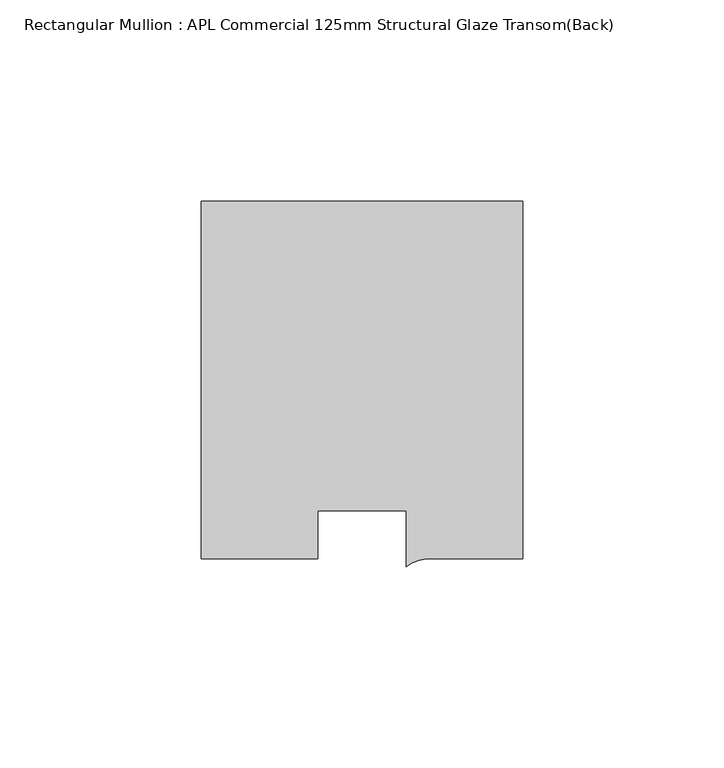
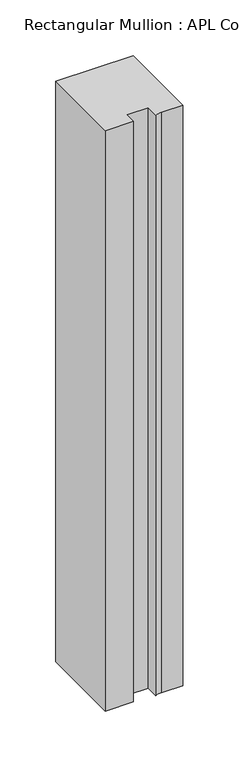
"""IFC4 building model written with IfcOpenShell, lengths in millimetres: member geometry, Rectangular Mullion : APL Commercial 125mm Structural Glaze Transom(Back)."""

from ifc_helpers import new_model, si_unit, point, frame, frame_2d, origin, place, context, project, spatial, polyline, circle_curve, trimmed, segment, composite_curve, outline, extrude, source, transform, mapped, element, save


def rectangular_mullion_apl_commercial_125mm_structural_glaze_522b3e52(model_context):
    return source(origin(), model_context, "Body", "SweptSolid", [
        extrude(outline(composite_curve([segment(polyline([(40.0, 104.0), (40.0, 15.0000829), (17.9999542, 15.0000829)]), True, "CONTINUOUS"), segment(trimmed(circle_curve(frame_2d((17.1097719, 4.581653)), 10.4563907), [point((17.9999542, 15.0000829))], [point((11.0000151, 13.0673455))], True, "CARTESIAN"), True, "CONTINUOUS"), segment(polyline([(11.0000151, 13.0673455), (11.0000151, 27.0), (-11.0000151, 27.0), (-11.0000151, 15.0000829), (-40.0, 15.0000829), (-40.0, 104.0), (40.0, 104.0)]), True, "CONTINUOUS")], self_intersect=False)), frame((0.0, 0.0, -635.1422625), z_axis=(0.0, 0.0, 1.0), x_axis=(1.0, 0.0, 0.0)), (0.0, 0.0, 1.0), 635.1422625),
    ])


if __name__ == "__main__":
    model = new_model("IFC4")
    model_context = context("Model", 3, world=origin())
    ifc_project = project(units=[si_unit("LENGTHUNIT", "METRE", prefix="MILLI")], contexts=[model_context])
    site = spatial("IfcSite", under=ifc_project)
    building = spatial("IfcBuilding", under=site)
    placement = place(None, origin())
    rectangular_mullion_apl_commercial_125mm_structural_glaze_shape = rectangular_mullion_apl_commercial_125mm_structural_glaze_522b3e52(model_context)
    element("IfcMember", 1, ObjectType="Rectangular Mullion : APL Commercial 125mm Structural Glaze Transom(Back)", at=placement, inside=building, context=model_context, shape_type="MappedRepresentation", body=[
        mapped(rectangular_mullion_apl_commercial_125mm_structural_glaze_shape, transform((0.0, 0.0, 0.0), x_axis=(1.0, 0.0, 0.0), y_axis=(0.0, 1.0, 0.0), z_axis=(0.0, 0.0, 1.0))),
    ])
    save(model, "model.ifc")
